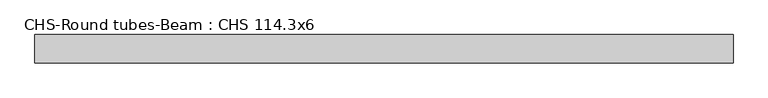
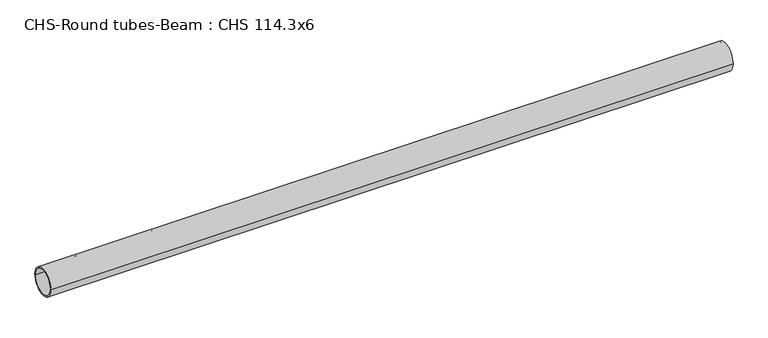
"""IFC4 building model written with IfcOpenShell, lengths in millimetres: beam geometry, CHS-Round tubes-Beam : CHS 114.3x6."""

from ifc_helpers import new_model, si_unit, point, frame, origin, origin_2d, place, context, project, spatial, circle_curve, trimmed, segment, composite_curve, outline, extrude, source, transform, mapped, element, save


def chs_round_tubes_beam_chs_114_3x6_fe708c7b(model_context):
    return source(origin(), model_context, "Body", "SweptSolid", [
        extrude(outline(composite_curve([segment(trimmed(circle_curve(origin_2d(), 57.15), [point((57.15, 0.0))], [point((-57.15, 0.0))], False, "CARTESIAN"), True, "CONTINUOUS"), segment(trimmed(circle_curve(origin_2d(), 57.15), [point((-57.15, 0.0))], [point((57.15, 0.0))], False, "CARTESIAN"), True, "CONTINUOUS")], self_intersect=False), holes=[composite_curve([segment(trimmed(circle_curve(origin_2d(), 51.15), [point((51.15, 0.0))], [point((-51.15, 0.0))], True, "CARTESIAN"), True, "CONTINUOUS"), segment(trimmed(circle_curve(origin_2d(), 51.15), [point((-51.15, 0.0))], [point((51.15, 0.0))], True, "CARTESIAN"), True, "CONTINUOUS")], self_intersect=False)]), frame((-1399.9574755, 0.0, 0.0), z_axis=(1.0, 0.0, 0.0), x_axis=(0.0, 1.0, 0.0)), (0.0, 0.0, 1.0), 2819.2319932),
    ])


if __name__ == "__main__":
    model = new_model("IFC4")
    model_context = context("Model", 3, world=origin())
    ifc_project = project(units=[si_unit("LENGTHUNIT", "METRE", prefix="MILLI")], contexts=[model_context])
    site = spatial("IfcSite", under=ifc_project)
    building = spatial("IfcBuilding", under=site)
    placement = place(None, origin())
    chs_round_tubes_beam_chs_114_3x6_shape = chs_round_tubes_beam_chs_114_3x6_fe708c7b(model_context)
    element("IfcBeam", 1, ObjectType="CHS-Round tubes-Beam : CHS 114.3x6", at=placement, inside=building, context=model_context, shape_type="MappedRepresentation", body=[
        mapped(chs_round_tubes_beam_chs_114_3x6_shape, transform((0.0, 0.0, 0.0), x_axis=(1.0, 0.0, 0.0), y_axis=(0.0, 1.0, 0.0), z_axis=(0.0, 0.0, 1.0))),
    ])
    save(model, "model.ifc")
